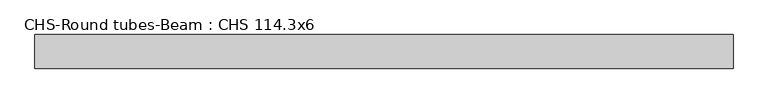
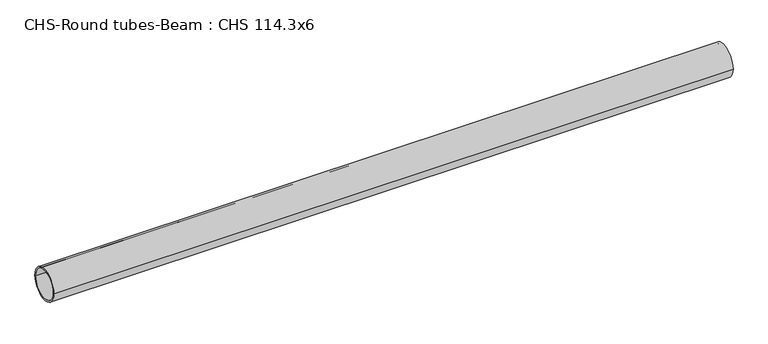
"""IFC4 building model written with IfcOpenShell, lengths in millimetres: beam geometry, CHS-Round tubes-Beam : CHS 114.3x6."""

from ifc_helpers import new_model, si_unit, point, frame, origin, origin_2d, place, context, project, spatial, circle_curve, trimmed, segment, composite_curve, outline, extrude, source, transform, mapped, element, save


def chs_round_tubes_beam_chs_114_3x6_b26070aa(model_context):
    return source(origin(), model_context, "Body", "SweptSolid", [
        extrude(outline(composite_curve([segment(trimmed(circle_curve(origin_2d(), 57.15), [point((57.15, 0.0))], [point((-57.15, 0.0))], False, "CARTESIAN"), True, "CONTINUOUS"), segment(trimmed(circle_curve(origin_2d(), 57.15), [point((-57.15, 0.0))], [point((57.15, 0.0))], False, "CARTESIAN"), True, "CONTINUOUS")], self_intersect=False), holes=[composite_curve([segment(trimmed(circle_curve(origin_2d(), 51.15), [point((51.15, 0.0))], [point((-51.15, 0.0))], True, "CARTESIAN"), True, "CONTINUOUS"), segment(trimmed(circle_curve(origin_2d(), 51.15), [point((-51.15, 0.0))], [point((51.15, 0.0))], True, "CARTESIAN"), True, "CONTINUOUS")], self_intersect=False)]), frame((-1138.8348239, 0.0, 0.0), z_axis=(1.0, 0.0, 0.0), x_axis=(0.0, 1.0, 0.0)), (0.0, 0.0, 1.0), 2372.4148151),
    ])


if __name__ == "__main__":
    model = new_model("IFC4")
    model_context = context("Model", 3, world=origin())
    ifc_project = project(units=[si_unit("LENGTHUNIT", "METRE", prefix="MILLI")], contexts=[model_context])
    site = spatial("IfcSite", under=ifc_project)
    building = spatial("IfcBuilding", under=site)
    placement = place(None, origin())
    chs_round_tubes_beam_chs_114_3x6_shape = chs_round_tubes_beam_chs_114_3x6_b26070aa(model_context)
    element("IfcBeam", 1, ObjectType="CHS-Round tubes-Beam : CHS 114.3x6", at=placement, inside=building, context=model_context, shape_type="MappedRepresentation", body=[
        mapped(chs_round_tubes_beam_chs_114_3x6_shape, transform((0.0, 0.0, 0.0), x_axis=(1.0, 0.0, 0.0), y_axis=(0.0, 1.0, 0.0), z_axis=(0.0, 0.0, 1.0))),
    ])
    save(model, "model.ifc")
